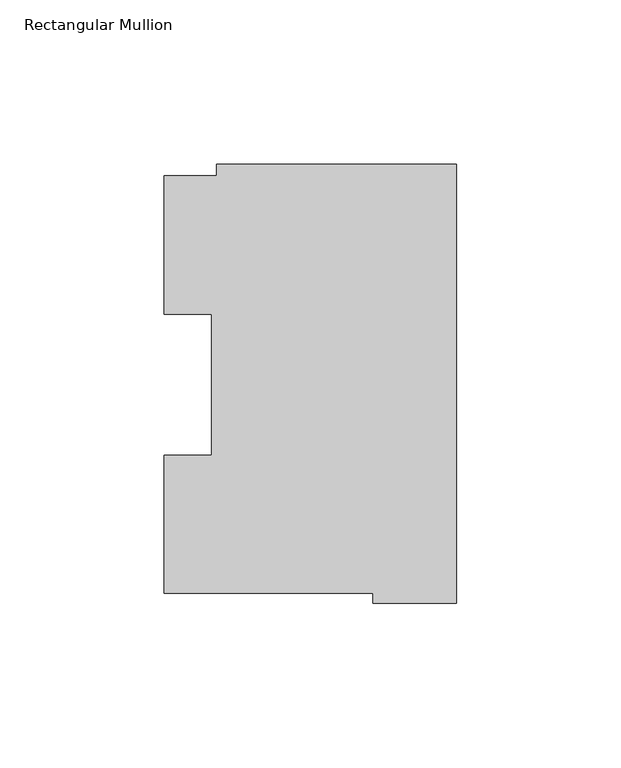
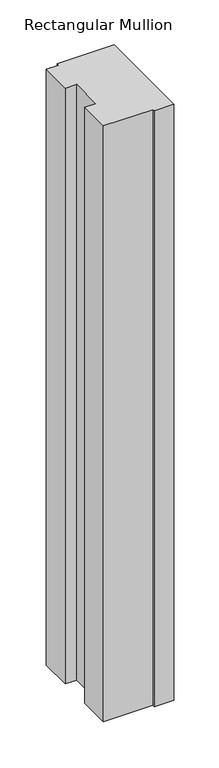
"""IFC4 building model written with IfcOpenShell, lengths in millimetres: member geometry, Rectangular Mullion."""

from ifc_helpers import new_model, si_unit, frame, origin, place, context, project, spatial, polyline, outline, extrude, source, transform, mapped, element, save


def rectangular_mullion_2209eae4(model_context):
    return source(origin(), model_context, "Body", "SweptSolid", [
        extrude(outline(polyline([(-73.025, 130.1270275), (0.0, 130.1270275), (0.0, -3.2371943), (-25.3823253, -3.2371943), (-25.3823253, -0.2913097), (-88.8823253, -0.2913097), (-88.8823253, 41.7837928), (-74.4735473, 41.7837928), (-74.4735473, 84.6335938), (-88.8823253, 84.6335938), (-88.8823253, 126.7086938), (-73.025, 126.7086938), (-73.025, 130.1270275)])), frame((0.0, 0.0, -809.7184633), z_axis=(0.0, 0.0, 1.0), x_axis=(1.0, 0.0, 0.0)), (0.0, 0.0, 1.0), 809.7184633),
    ])


if __name__ == "__main__":
    model = new_model("IFC4")
    model_context = context("Model", 3, world=origin())
    ifc_project = project(units=[si_unit("LENGTHUNIT", "METRE", prefix="MILLI")], contexts=[model_context])
    site = spatial("IfcSite", under=ifc_project)
    building = spatial("IfcBuilding", under=site)
    placement = place(None, origin())
    rectangular_mullion_shape = rectangular_mullion_2209eae4(model_context)
    element("IfcMember", 1, ObjectType="Rectangular Mullion", at=placement, inside=building, context=model_context, shape_type="MappedRepresentation", body=[
        mapped(rectangular_mullion_shape, transform((0.0, 0.0, 0.0), x_axis=(1.0, 0.0, 0.0), y_axis=(0.0, 1.0, 0.0), z_axis=(0.0, 0.0, 1.0))),
    ])
    save(model, "model.ifc")
